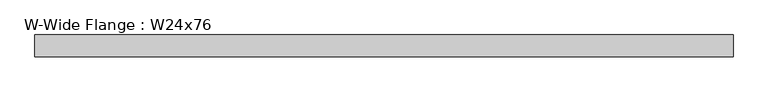
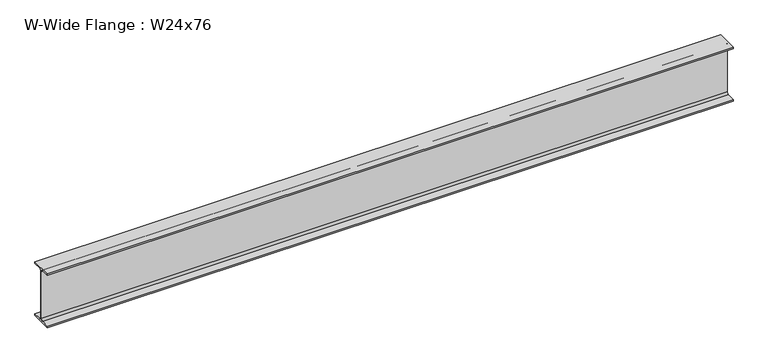
"""IFC4 building model written with IfcOpenShell, lengths in millimetres: beam geometry, W-Wide Flange : W24x76."""

from ifc_helpers import new_model, si_unit, point, frame, frame_2d, origin, place, context, project, spatial, polyline, circle_curve, trimmed, segment, composite_curve, outline, extrude, source, transform, mapped, element, save


def w_wide_flange_w24x76_cac75f6e(model_context):
    return source(origin(), model_context, "Body", "SweptSolid", [
        extrude(outline(composite_curve([segment(polyline([(114.173, -286.258), (114.173, -303.53), (-114.173, -303.53), (-114.173, -286.258), (-28.0035, -286.258)]), True, "CONTINUOUS"), segment(trimmed(circle_curve(frame_2d((-28.0035, -263.8425)), 22.4155), [point((-28.0035, -286.258))], [point((-5.588, -263.8425))], True, "CARTESIAN"), True, "CONTINUOUS"), segment(polyline([(-5.588, -263.8425), (-5.588, 263.8425)]), True, "CONTINUOUS"), segment(trimmed(circle_curve(frame_2d((-28.0035, 263.8425)), 22.4155), [point((-5.588, 263.8425))], [point((-28.0035, 286.258))], True, "CARTESIAN"), True, "CONTINUOUS"), segment(polyline([(-28.0035, 286.258), (-114.173, 286.258), (-114.173, 303.53), (114.173, 303.53), (114.173, 286.258), (28.0035, 286.258)]), True, "CONTINUOUS"), segment(trimmed(circle_curve(frame_2d((28.0035, 263.8425)), 22.4155), [point((28.0035, 286.258))], [point((5.588, 263.8425))], True, "CARTESIAN"), True, "CONTINUOUS"), segment(polyline([(5.588, 263.8425), (5.588, -263.8425)]), True, "CONTINUOUS"), segment(trimmed(circle_curve(frame_2d((28.0035, -263.8425)), 22.4155), [point((5.588, -263.8425))], [point((28.0035, -286.258))], True, "CARTESIAN"), True, "CONTINUOUS"), segment(polyline([(28.0035, -286.258), (114.173, -286.258)]), True, "CONTINUOUS")], self_intersect=False)), frame((-3670.3093023, 0.0, 0.0), z_axis=(1.0, 0.0, 0.0), x_axis=(0.0, 1.0, 0.0)), (0.0, 0.0, 1.0), 7313.9486045),
    ])


if __name__ == "__main__":
    model = new_model("IFC4")
    model_context = context("Model", 3, world=origin())
    ifc_project = project(units=[si_unit("LENGTHUNIT", "METRE", prefix="MILLI")], contexts=[model_context])
    site = spatial("IfcSite", under=ifc_project)
    building = spatial("IfcBuilding", under=site)
    placement = place(None, origin())
    w_wide_flange_w24x76_shape = w_wide_flange_w24x76_cac75f6e(model_context)
    element("IfcBeam", 1, ObjectType="W-Wide Flange : W24x76", at=placement, inside=building, context=model_context, shape_type="MappedRepresentation", body=[
        mapped(w_wide_flange_w24x76_shape, transform((0.0, 0.0, 0.0), x_axis=(1.0, 0.0, 0.0), y_axis=(0.0, 1.0, 0.0), z_axis=(0.0, 0.0, 1.0))),
    ])
    save(model, "model.ifc")
